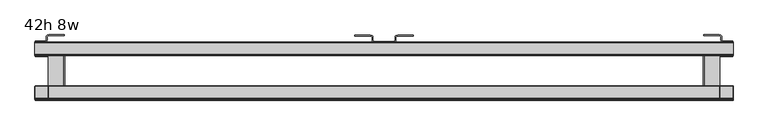
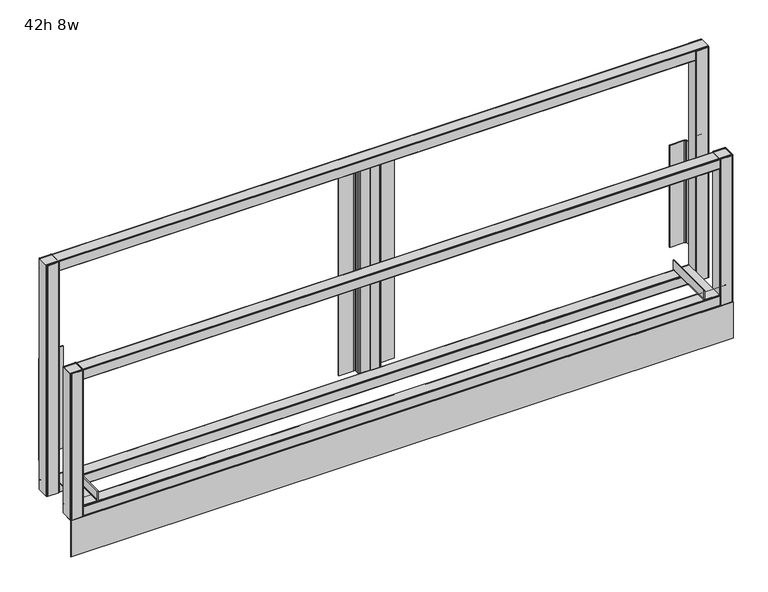
"""IFC4 building model written with IfcOpenShell, lengths in millimetres: furniture geometry, 42h 8w."""

from ifc_helpers import new_model, si_unit, point, frame, frame_2d, origin, origin_with_axes, place, context, project, spatial, polyline, circle_curve, trimmed, segment, composite_curve, outline, extrude, source, transform, mapped, element, save


def furniture_42h_8w_7f935b72(model_context):
    return source(origin(), model_context, "Body", "SweptSolid", [
        extrude(outline(polyline([(2438.4, -72.6720019), (2437.9727983, -74.2663388), (2436.8106677, -75.4284727), (2435.2231678, -75.8538427), (2394.0114287, -75.8538427), (2392.5629536, -75.160403), (2391.5936768, -73.8532744), (2391.3684817, -72.6788412), (2391.3684817, -27.3581035), (2392.5629536, -25.7472801), (2394.011424, -25.0538403), (2396.1408108, -25.0538403), (2435.2231679, -25.0538403), (2436.8106677, -25.4792096), (2437.9727983, -26.6413403), (2438.4, -28.2356786), (2438.4, -72.6720019)]), holes=[composite_curve([segment(polyline([(2436.4931676, -72.730636), (2436.4931676, -28.1651167)]), True, "CONTINUOUS"), segment(trimmed(circle_curve(frame_2d((2435.2868913, -28.1651167)), 1.2062764), [point((2436.4931676, -28.1651167))], [point((2435.2868913, -26.9588403))], True, "CARTESIAN"), True, "CONTINUOUS"), segment(polyline([(2435.2868913, -26.9588403), (2394.5283089, -26.9588403)]), True, "CONTINUOUS"), segment(trimmed(circle_curve(frame_2d((2394.5283089, -28.2136693)), 1.254829), [point((2394.5283089, -26.9588403))], [point((2393.2734799, -28.2136693))], True, "CARTESIAN"), True, "CONTINUOUS"), segment(polyline([(2393.2734799, -28.2136693), (2393.2734799, -72.8953775)]), True, "CONTINUOUS"), segment(trimmed(circle_curve(frame_2d((2394.3269416, -72.8953775)), 1.0534616), [point((2393.2734799, -72.8953775))], [point((2394.3269416, -73.9488391))], True, "CARTESIAN"), True, "CONTINUOUS"), segment(polyline([(2394.3269416, -73.9488391), (2435.2749644, -73.9488391)]), True, "CONTINUOUS"), segment(trimmed(circle_curve(frame_2d((2435.2749644, -72.730636)), 1.2182032), [point((2435.2749644, -73.9488391))], [point((2436.4931676, -72.730636))], True, "CARTESIAN"), True, "CONTINUOUS")], self_intersect=False)]), frame((0.0, 0.0, 142.2400006), z_axis=(0.0, 0.0, 1.0), x_axis=(1.0, 0.0, 0.0)), (0.0, 0.0, 1.0), 897.9650676),
        extrude(outline(polyline([(0.0, -72.6720025), (0.0, -28.2356792), (0.4272017, -26.6413409), (1.5893323, -25.4792102), (3.1768321, -25.0538409), (42.2591892, -25.0538401), (44.3885759, -25.0538401), (45.8370464, -25.7472799), (47.0315183, -27.3581033), (47.0315183, -72.678841), (46.8063232, -73.8532742), (45.8370464, -75.1604028), (44.3885713, -75.8538425), (3.1768322, -75.8538425), (1.5893323, -75.4284733), (0.4272017, -74.2663394), (0.0, -72.6720025)]), holes=[composite_curve([segment(trimmed(circle_curve(frame_2d((3.1250356, -72.7306366)), 1.2182032), [point((1.9068324, -72.7306366))], [point((3.1250356, -73.9488397))], True, "CARTESIAN"), True, "CONTINUOUS"), segment(polyline([(3.1250356, -73.9488397), (44.0730584, -73.9488397)]), True, "CONTINUOUS"), segment(trimmed(circle_curve(frame_2d((44.0730584, -72.8953781)), 1.0534617), [point((44.0730584, -73.9488397))], [point((45.1265201, -72.8953781))], True, "CARTESIAN"), True, "CONTINUOUS"), segment(polyline([(45.1265201, -72.8953781), (45.1265201, -28.2136691)]), True, "CONTINUOUS"), segment(trimmed(circle_curve(frame_2d((43.8716911, -28.2136691)), 1.2548289), [point((45.1265201, -28.2136691))], [point((43.8716911, -26.9588402))], True, "CARTESIAN"), True, "CONTINUOUS"), segment(polyline([(43.8716911, -26.9588402), (3.1131087, -26.9588408)]), True, "CONTINUOUS"), segment(trimmed(circle_curve(frame_2d((3.1131088, -28.1651172)), 1.2062764), [point((3.1131087, -26.9588408))], [point((1.9068324, -28.1651172))], True, "CARTESIAN"), True, "CONTINUOUS"), segment(polyline([(1.9068324, -28.1651172), (1.9068324, -72.7306366)]), True, "CONTINUOUS")], self_intersect=False)]), frame((0.0, 0.0, 142.2400006), z_axis=(0.0, 0.0, 1.0), x_axis=(1.0, 0.0, 0.0)), (0.0, 0.0, 1.0), 897.9650676),
        extrude(outline(polyline([(1184.9208445, -23.01875), (1219.2, -23.01875), (1219.2, -26.0161562), (1184.769944, -26.0161562), (1180.6778403, -24.9196801), (1178.4539889, -22.6958267), (1177.6399988, -19.6579869), (1177.6399988, -7.8317466), (1177.233006, -6.3128259), (1176.1210781, -5.2009002), (1171.7916973, -4.0408449), (1117.1778418, -4.0408449), (1117.1778418, -0.9623159), (1171.6398534, -0.9623159), (1177.6399988, -2.5700538), (1179.8638547, -4.7939074), (1180.6778403, -7.8317466), (1180.6778403, -19.6579869), (1181.0848331, -21.1769068), (1182.196761, -22.2888334), (1184.9208445, -23.01875)])), frame((0.0, 0.0, 178.4492695), z_axis=(0.0, 0.0, 1.0), x_axis=(1.0, 0.0, 0.0)), (0.0, 0.0, 1.0), 823.9758089),
        extrude(outline(polyline([(1253.4791555, -23.01875), (1256.203239, -22.2888334), (1257.3151669, -21.1769068), (1257.7221597, -19.6579869), (1257.7221597, -7.8317466), (1258.5361453, -4.7939074), (1260.7600012, -2.5700538), (1266.7601466, -0.9623159), (1321.2221582, -0.9623159), (1321.2221582, -4.0408449), (1266.6083027, -4.0408449), (1262.2789219, -5.2009002), (1261.166994, -6.3128259), (1260.7600012, -7.8317466), (1260.7600012, -19.6579869), (1259.9460111, -22.6958267), (1257.7221597, -24.9196801), (1253.630056, -26.0161562), (1219.2, -26.0161562), (1219.2, -23.01875), (1253.4791555, -23.01875)])), frame((0.0, 0.0, 176.0315177), z_axis=(0.0, 0.0, 1.0), x_axis=(1.0, 0.0, 0.0)), (0.0, 0.0, 1.0), 826.3935607),
        extrude(outline(polyline([(35.3068785, -22.0564341), (38.030962, -21.3265174), (39.14289, -20.2145909), (39.5498827, -18.695671), (39.5498827, -6.8694307), (40.3638683, -3.8315915), (42.5877242, -1.6077378), (48.5878696, 0.0), (103.0498812, 0.0), (103.0498812, -3.078529), (48.4360257, -3.078529), (44.1066449, -4.2385842), (42.994717, -5.3505099), (42.5877242, -6.8694307), (42.5877242, -18.695671), (41.7737341, -21.7335108), (39.5498827, -23.9573641), (35.457779, -25.0538403), (1.027723, -25.0538403), (1.027723, -22.0564341), (35.3068785, -22.0564341)])), frame((0.0, 0.0, 251.0568051), z_axis=(0.0, 0.0, 1.0), x_axis=(1.0, 0.0, 0.0)), (0.0, 0.0, 1.0), 397.1052306),
        extrude(outline(polyline([(2403.0931215, -22.0564341), (2437.372277, -22.0564341), (2437.372277, -25.0538403), (2402.942221, -25.0538403), (2398.8501173, -23.9573641), (2396.6262659, -21.7335108), (2395.8122758, -18.695671), (2395.8122758, -6.8694307), (2395.405283, -5.3505099), (2394.2933551, -4.2385842), (2389.9639743, -3.078529), (2335.3501188, -3.078529), (2335.3501188, 0.0), (2389.8121304, 0.0), (2395.8122758, -1.6077378), (2398.0361317, -3.8315915), (2398.8501173, -6.8694307), (2398.8501173, -18.695671), (2399.25711, -20.2145909), (2400.369038, -21.3265174), (2403.0931215, -22.0564341)])), frame((0.0, 0.0, 251.0568051), z_axis=(0.0, 0.0, 1.0), x_axis=(1.0, 0.0, 0.0)), (0.0, 0.0, 1.0), 397.1052306),
        extrude(outline(polyline([(2438.4, -72.6720019), (2437.9727983, -74.2663388), (2436.8106677, -75.4284727), (2435.2231678, -75.8538427), (2394.0114287, -75.8538427), (2392.5629536, -75.160403), (2391.5936768, -73.8532744), (2391.3684817, -72.6788412), (2391.3684817, -27.3581035), (2392.5629536, -25.7472801), (2394.011424, -25.0538403), (2396.1408108, -25.0538403), (2435.2231679, -25.0538403), (2436.8106677, -25.4792096), (2437.9727983, -26.6413403), (2438.4, -28.2356786), (2438.4, -72.6720019)]), holes=[composite_curve([segment(polyline([(2436.4931676, -72.730636), (2436.4931676, -28.1651167)]), True, "CONTINUOUS"), segment(trimmed(circle_curve(frame_2d((2435.2868913, -28.1651167)), 1.2062764), [point((2436.4931676, -28.1651167))], [point((2435.2868913, -26.9588403))], True, "CARTESIAN"), True, "CONTINUOUS"), segment(polyline([(2435.2868913, -26.9588403), (2394.5283089, -26.9588403)]), True, "CONTINUOUS"), segment(trimmed(circle_curve(frame_2d((2394.5283089, -28.2136693)), 1.254829), [point((2394.5283089, -26.9588403))], [point((2393.2734799, -28.2136693))], True, "CARTESIAN"), True, "CONTINUOUS"), segment(polyline([(2393.2734799, -28.2136693), (2393.2734799, -72.8953775)]), True, "CONTINUOUS"), segment(trimmed(circle_curve(frame_2d((2394.3269416, -72.8953775)), 1.0534616), [point((2393.2734799, -72.8953775))], [point((2394.3269416, -73.9488391))], True, "CARTESIAN"), True, "CONTINUOUS"), segment(polyline([(2394.3269416, -73.9488391), (2435.2749644, -73.9488391)]), True, "CONTINUOUS"), segment(trimmed(circle_curve(frame_2d((2435.2749644, -72.730636)), 1.2182032), [point((2435.2749644, -73.9488391))], [point((2436.4931676, -72.730636))], True, "CARTESIAN"), True, "CONTINUOUS")], self_intersect=False)]), frame((0.0, 0.0, 142.2400006), z_axis=(0.0, 0.0, 1.0), x_axis=(1.0, 0.0, 0.0)), (0.0, 0.0, 1.0), 568.9599752),
        extrude(outline(polyline([(-69.6866351, 1001.9409842), (-71.4932977, 1002.4250785), (-72.6554315, 1003.587209), (-72.8823632, 1004.4341299), (-72.8823632, 1038.7565932), (-72.1889235, 1040.2050682), (-70.8817949, 1041.174345), (-69.7049635, 1041.4), (-28.5017272, 1041.4), (-26.8902842, 1040.2050682), (-26.1968444, 1038.7565977), (-26.1968444, 1036.627211), (-26.1968444, 1005.9152882), (-26.8206514, 1003.587209), (-27.982782, 1002.4250784), (-29.7894465, 1001.9409842), (-69.6866351, 1001.9409842)]), holes=[composite_curve([segment(polyline([(-70.332356, 1003.5801491), (-29.2089019, 1003.5801491)]), True, "CONTINUOUS"), segment(trimmed(circle_curve(frame_2d((-29.2089019, 1004.7864254)), 1.2062764), [point((-29.2089019, 1003.5801491))], [point((-28.0026255, 1004.7864254))], True, "CARTESIAN"), True, "CONTINUOUS"), segment(polyline([(-28.0026255, 1004.7864254), (-28.0026255, 1038.1404943)]), True, "CONTINUOUS"), segment(trimmed(circle_curve(frame_2d((-29.2574544, 1038.1404943)), 1.2548289), [point((-28.0026255, 1038.1404943))], [point((-29.2574544, 1039.3953232))], True, "CARTESIAN"), True, "CONTINUOUS"), segment(polyline([(-29.2574544, 1039.3953232), (-70.2691988, 1039.3953232)]), True, "CONTINUOUS"), segment(trimmed(circle_curve(frame_2d((-70.2691988, 1038.5383334)), 0.8569898), [point((-70.2691988, 1039.3953232))], [point((-71.1261886, 1038.5383334))], True, "CARTESIAN"), True, "CONTINUOUS"), segment(polyline([(-71.1261886, 1038.5383334), (-71.1261886, 1037.4730464), (-71.1261886, 1004.3739817)]), True, "CONTINUOUS"), segment(trimmed(circle_curve(frame_2d((-70.332356, 1004.3739817)), 0.7938326), [point((-71.1261886, 1004.3739817))], [point((-70.332356, 1003.5801491))], True, "CARTESIAN"), True, "CONTINUOUS")], self_intersect=False)]), frame((0.0, 0.0, 0.0), z_axis=(1.0, 0.0, 0.0), x_axis=(0.0, 1.0, 0.0)), (0.0, 0.0, 1.0), 2438.4),
        extrude(outline(polyline([(217.1649967, 2333.9758798), (183.3880068, 2333.9758798), (180.2764961, 2334.8096043), (177.9987282, 2337.0873722), (177.1650036, 2340.1988647), (177.1650036, 2391.3782739), (180.2130007, 2391.3782739), (180.2130007, 2340.1988647), (180.6383745, 2338.6113708), (181.8004947, 2337.4492506), (183.3880068, 2337.0238768), (217.1649967, 2337.0238768), (217.1649967, 2333.9758798)])), frame((0.0, -223.0555224, 0.0), z_axis=(0.0, 1.0, 0.0), x_axis=(0.0, 0.0, 1.0)), (0.0, 0.0, 1.0), 194.5544148),
        extrude(outline(polyline([(217.1649967, 104.4241202), (217.1649967, 101.3761232), (183.3880068, 101.3761232), (181.8004947, 100.9507494), (180.6383745, 99.7886292), (180.2130007, 98.2011353), (180.2130007, 47.0315183), (177.1650036, 47.0315183), (177.1650036, 98.2011353), (177.9987282, 101.3126278), (180.2764961, 103.5903957), (183.3880068, 104.4241202), (217.1649967, 104.4241202)])), frame((0.0, -223.0555224, 0.0), z_axis=(0.0, 1.0, 0.0), x_axis=(0.0, 0.0, 1.0)), (0.0, 0.0, 1.0), 194.5537952),
        extrude(outline(polyline([(2438.4, -229.202005), (0.762, -229.202005), (0.762, -227.1700069), (2438.4, -227.1700069), (2438.4, -229.202005)])), origin_with_axes(), (0.0, 0.0, 1.0), 139.700003),
        extrude(outline(polyline([(2438.4, -226.020165), (2437.9727983, -227.6145019), (2436.8106677, -228.7766357), (2435.2231678, -229.202005), (2394.0114287, -229.202005), (2392.5629536, -228.5085653), (2391.5936768, -227.2014367), (2391.3684817, -226.0270034), (2391.3684817, -180.7062658), (2392.5629536, -179.0954424), (2394.0114242, -178.4020034), (2396.1408108, -178.4020034), (2435.2231679, -178.4020034), (2436.8106677, -178.8273727), (2437.9727983, -179.9895033), (2438.4, -181.5838417), (2438.4, -226.020165)]), holes=[composite_curve([segment(polyline([(2436.4931676, -226.078799), (2436.4931676, -181.5132797)]), True, "CONTINUOUS"), segment(trimmed(circle_curve(frame_2d((2435.2868912, -181.5132797)), 1.2062764), [point((2436.4931676, -181.5132797))], [point((2435.2868912, -180.3070033))], True, "CARTESIAN"), True, "CONTINUOUS"), segment(polyline([(2435.2868912, -180.3070033), (2394.5283089, -180.3070026)]), True, "CONTINUOUS"), segment(trimmed(circle_curve(frame_2d((2394.5283089, -181.5618316)), 1.2548289), [point((2394.5283089, -180.3070026))], [point((2393.27348, -181.5618316))], True, "CARTESIAN"), True, "CONTINUOUS"), segment(polyline([(2393.27348, -181.5618316), (2393.27348, -226.2435406)]), True, "CONTINUOUS"), segment(trimmed(circle_curve(frame_2d((2394.3269416, -226.2435406)), 1.0534615), [point((2393.27348, -226.2435406))], [point((2394.3269416, -227.2970021))], True, "CARTESIAN"), True, "CONTINUOUS"), segment(polyline([(2394.3269416, -227.2970021), (2435.2749644, -227.2970021)]), True, "CONTINUOUS"), segment(trimmed(circle_curve(frame_2d((2435.2749644, -226.078799)), 1.2182032), [point((2435.2749644, -227.2970021))], [point((2436.4931676, -226.078799))], True, "CARTESIAN"), True, "CONTINUOUS")], self_intersect=False)]), frame((0.0, 0.0, 142.2400006), z_axis=(0.0, 0.0, 1.0), x_axis=(1.0, 0.0, 0.0)), (0.0, 0.0, 1.0), 569.0435446),
        extrude(outline(polyline([(0.0, -226.020165), (0.0, -181.5838417), (0.4272017, -179.9895033), (1.5893323, -178.8273727), (3.1768321, -178.4020034), (42.2591892, -178.4020026), (44.3885759, -178.4020026), (45.8370464, -179.0954424), (47.0315183, -180.7062658), (47.0315183, -226.0270034), (46.8063232, -227.2014367), (45.8370464, -228.5085653), (44.3885713, -229.202005), (3.1768322, -229.202005), (1.5893323, -228.7766357), (0.4272017, -227.6145019), (0.0, -226.020165)]), holes=[composite_curve([segment(trimmed(circle_curve(frame_2d((3.1250356, -226.078799)), 1.2182032), [point((1.9068324, -226.078799))], [point((3.1250356, -227.2970022))], True, "CARTESIAN"), True, "CONTINUOUS"), segment(polyline([(3.1250356, -227.2970022), (44.0730584, -227.2970022)]), True, "CONTINUOUS"), segment(trimmed(circle_curve(frame_2d((44.0730584, -226.2435405)), 1.0534617), [point((44.0730584, -227.2970022))], [point((45.1265201, -226.2435405))], True, "CARTESIAN"), True, "CONTINUOUS"), segment(polyline([(45.1265201, -226.2435405), (45.1265201, -181.5618316)]), True, "CONTINUOUS"), segment(trimmed(circle_curve(frame_2d((43.8716912, -181.5618316)), 1.2548289), [point((45.1265201, -181.5618316))], [point((43.8716911, -180.3070027))], True, "CARTESIAN"), True, "CONTINUOUS"), segment(polyline([(43.8716911, -180.3070027), (3.1131088, -180.3070033)]), True, "CONTINUOUS"), segment(trimmed(circle_curve(frame_2d((3.1131088, -181.5132797)), 1.2062764), [point((3.1131088, -180.3070033))], [point((1.9068324, -181.5132797))], True, "CARTESIAN"), True, "CONTINUOUS"), segment(polyline([(1.9068324, -181.5132797), (1.9068324, -226.078799)]), True, "CONTINUOUS")], self_intersect=False)]), frame((0.0, 0.0, 142.2400006), z_axis=(0.0, 0.0, 1.0), x_axis=(1.0, 0.0, 0.0)), (0.0, 0.0, 1.0), 569.0435446),
        extrude(outline(polyline([(-223.0347979, 139.2159088), (-224.8414605, 139.700003), (-226.0035943, 140.8621336), (-226.230526, 141.7090545), (-226.230526, 176.0315177), (-225.5370863, 177.4799928), (-224.2299577, 178.4492695), (-223.0555224, 178.6744651), (-181.8492701, 178.6744693), (-180.2384467, 177.4799928), (-179.5450075, 176.0315223), (-179.5450075, 173.9021356), (-179.5450075, 143.1902128), (-180.1688145, 140.8621336), (-181.3309451, 139.700003), (-183.1376095, 139.2159088), (-223.0347979, 139.2159088)]), holes=[composite_curve([segment(polyline([(-223.6805188, 140.8550736), (-182.557065, 140.8550736)]), True, "CONTINUOUS"), segment(trimmed(circle_curve(frame_2d((-182.557065, 142.06135)), 1.2062764), [point((-182.557065, 140.8550736))], [point((-181.3507886, 142.06135))], True, "CARTESIAN"), True, "CONTINUOUS"), segment(polyline([(-181.3507886, 142.06135), (-181.3507886, 175.4154189)]), True, "CONTINUOUS"), segment(trimmed(circle_curve(frame_2d((-182.6056175, 175.4154189)), 1.2548289), [point((-181.3507886, 175.4154189))], [point((-182.6056175, 176.6702478))], True, "CARTESIAN"), True, "CONTINUOUS"), segment(polyline([(-182.6056175, 176.6702478), (-223.6173616, 176.6702478)]), True, "CONTINUOUS"), segment(trimmed(circle_curve(frame_2d((-223.6173616, 175.813258)), 0.8569898), [point((-223.6173616, 176.6702478))], [point((-224.4743514, 175.813258))], True, "CARTESIAN"), True, "CONTINUOUS"), segment(polyline([(-224.4743514, 175.813258), (-224.4743514, 174.747971), (-224.4743514, 141.6489063)]), True, "CONTINUOUS"), segment(trimmed(circle_curve(frame_2d((-223.6805188, 141.6489063)), 0.7938326), [point((-224.4743514, 141.6489063))], [point((-223.6805188, 140.8550736))], True, "CARTESIAN"), True, "CONTINUOUS")], self_intersect=False)]), frame((1.9068324, 0.0, 0.0), z_axis=(1.0, 0.0, 0.0), x_axis=(0.0, 1.0, 0.0)), (0.0, 0.0, 1.0), 2436.4931676),
        extrude(outline(polyline([(-69.6866351, 139.2159088), (-71.4932977, 139.700003), (-72.6554315, 140.8621336), (-72.8823632, 141.7090545), (-72.8823632, 176.0315177), (-72.1889235, 177.4799928), (-70.8817949, 178.4492695), (-69.7073595, 178.6744651), (-28.5011076, 178.6744693), (-26.8902842, 177.4799928), (-26.1968444, 176.0315223), (-26.1968444, 173.9021356), (-26.1968444, 143.1902128), (-26.8206514, 140.8621336), (-27.982782, 139.700003), (-29.7894465, 139.2159088), (-69.6866351, 139.2159088)]), holes=[composite_curve([segment(polyline([(-70.332356, 140.8550736), (-29.2089019, 140.8550736)]), True, "CONTINUOUS"), segment(trimmed(circle_curve(frame_2d((-29.2089019, 142.06135)), 1.2062764), [point((-29.2089019, 140.8550736))], [point((-28.0026255, 142.06135))], True, "CARTESIAN"), True, "CONTINUOUS"), segment(polyline([(-28.0026255, 142.06135), (-28.0026255, 175.4154189)]), True, "CONTINUOUS"), segment(trimmed(circle_curve(frame_2d((-29.2574544, 175.4154189)), 1.2548289), [point((-28.0026255, 175.4154189))], [point((-29.2574544, 176.6702478))], True, "CARTESIAN"), True, "CONTINUOUS"), segment(polyline([(-29.2574544, 176.6702478), (-70.2691988, 176.6702478)]), True, "CONTINUOUS"), segment(trimmed(circle_curve(frame_2d((-70.2691988, 175.813258)), 0.8569898), [point((-70.2691988, 176.6702478))], [point((-71.1261886, 175.813258))], True, "CARTESIAN"), True, "CONTINUOUS"), segment(polyline([(-71.1261886, 175.813258), (-71.1261886, 174.747971), (-71.1261886, 141.6489063)]), True, "CONTINUOUS"), segment(trimmed(circle_curve(frame_2d((-70.332356, 141.6489063)), 0.7938326), [point((-71.1261886, 141.6489063))], [point((-70.332356, 140.8550736))], True, "CARTESIAN"), True, "CONTINUOUS")], self_intersect=False)]), frame((1.9068324, 0.0, 0.0), z_axis=(1.0, 0.0, 0.0), x_axis=(0.0, 1.0, 0.0)), (0.0, 0.0, 1.0), 2436.4931676),
        extrude(outline(polyline([(-223.0347979, 671.8249791), (-224.8414605, 672.3090734), (-226.0035943, 673.4712039), (-226.230526, 674.3181248), (-226.230526, 708.6405881), (-225.5370863, 710.0890631), (-224.2299577, 711.0583399), (-223.0532062, 711.2839796), (-181.849869, 711.2839796), (-180.2384467, 710.0890631), (-179.5450069, 708.6405927), (-179.5450069, 706.511206), (-179.5450069, 675.7992832), (-180.1688139, 673.4712039), (-181.3309445, 672.3090734), (-183.1376089, 671.8249791), (-223.0347979, 671.8249791)]), holes=[composite_curve([segment(polyline([(-223.6805188, 673.464144), (-182.5570644, 673.464144)]), True, "CONTINUOUS"), segment(trimmed(circle_curve(frame_2d((-182.5570644, 674.6704204)), 1.2062764), [point((-182.5570644, 673.464144))], [point((-181.350788, 674.6704204))], True, "CARTESIAN"), True, "CONTINUOUS"), segment(polyline([(-181.350788, 674.6704204), (-181.350788, 708.0244893)]), True, "CONTINUOUS"), segment(trimmed(circle_curve(frame_2d((-182.6056169, 708.0244893)), 1.2548289), [point((-181.350788, 708.0244893))], [point((-182.6056169, 709.2793182))], True, "CARTESIAN"), True, "CONTINUOUS"), segment(polyline([(-182.6056169, 709.2793182), (-223.6173616, 709.2793182)]), True, "CONTINUOUS"), segment(trimmed(circle_curve(frame_2d((-223.6173616, 708.4223284)), 0.8569898), [point((-223.6173616, 709.2793182))], [point((-224.4743514, 708.4223284))], True, "CARTESIAN"), True, "CONTINUOUS"), segment(polyline([(-224.4743514, 708.4223284), (-224.4743514, 707.3570413), (-224.4743514, 674.2579766)]), True, "CONTINUOUS"), segment(trimmed(circle_curve(frame_2d((-223.6805188, 674.2579766)), 0.7938326), [point((-224.4743514, 674.2579766))], [point((-223.6805188, 673.464144))], True, "CARTESIAN"), True, "CONTINUOUS")], self_intersect=False)]), frame((1.9068324, 0.0, 0.0), z_axis=(1.0, 0.0, 0.0), x_axis=(0.0, 1.0, 0.0)), (0.0, 0.0, 1.0), 2436.4931676),
    ])


if __name__ == "__main__":
    model = new_model("IFC4")
    model_context = context("Model", 3, world=origin())
    ifc_project = project(units=[si_unit("LENGTHUNIT", "METRE", prefix="MILLI")], contexts=[model_context])
    site = spatial("IfcSite", under=ifc_project)
    building = spatial("IfcBuilding", under=site)
    placement = place(None, origin())
    furniture_42h_8w_shape = furniture_42h_8w_7f935b72(model_context)
    element("IfcFurniture", 1, ObjectType="42h 8w", at=placement, inside=building, context=model_context, shape_type="MappedRepresentation", body=[
        mapped(furniture_42h_8w_shape, transform((0.0, 0.0, 0.0), x_axis=(1.0, 0.0, 0.0), y_axis=(0.0, 1.0, 0.0), z_axis=(0.0, 0.0, 1.0))),
    ])
    save(model, "model.ifc")
